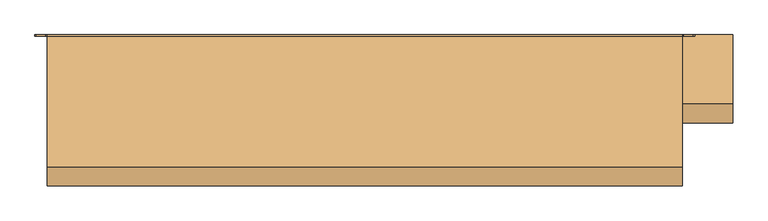
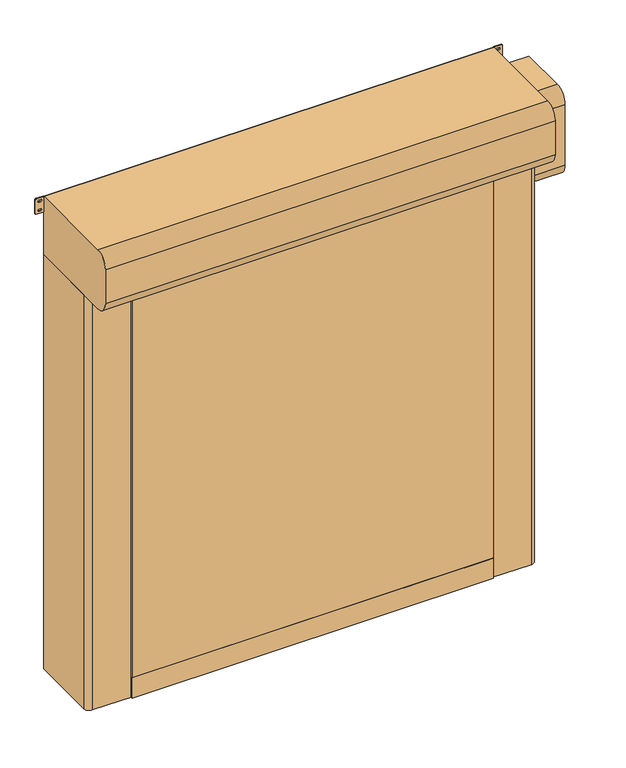
"""IFC4 building model written with IfcOpenShell, lengths in millimetres: door geometry."""

from ifc_helpers import new_model, si_unit, point, frame, frame_2d, origin, origin_with_axes, place, context, project, spatial, polyline, circle_curve, trimmed, segment, composite_curve, outline, extrude, source, transform, mapped, element, save


def door_82254b21(model_context):
    return source(origin(), model_context, "Body", "SweptSolid", [
        extrude(outline(polyline([(-1012.0, -421.5), (1012.0, -421.5), (1012.0, -428.5), (-1012.0, -428.5), (-1012.0, -421.5)])), frame((0.0, 0.0, 120.0), z_axis=(0.0, 0.0, 1.0), x_axis=(1.0, 0.0, 0.0)), (0.0, 0.0, 1.0), 2505.0),
        extrude(outline(polyline([(-1012.0, -419.5), (1012.0, -419.5), (1012.0, -430.5), (-1012.0, -430.5), (-1012.0, -419.5)])), origin_with_axes(), (0.0, 0.0, 1.0), 120.0),
        extrude(outline(composite_curve([segment(trimmed(circle_curve(frame_2d((1583.3333333, 1171.0)), 6.0), [point((1589.3333333, 1171.0))], [point((1577.3333333, 1171.0))], False, "CARTESIAN"), True, "CONTINUOUS"), segment(polyline([(1577.3333333, 1171.0), (1577.3333333, 1189.0)]), True, "CONTINUOUS"), segment(trimmed(circle_curve(frame_2d((1583.3333333, 1189.0)), 6.0), [point((1577.3333333, 1189.0))], [point((1589.3333333, 1189.0))], False, "CARTESIAN"), True, "CONTINUOUS"), segment(polyline([(1589.3333333, 1189.0), (1589.3333333, 1171.0)]), True, "CONTINUOUS")], self_intersect=False)), frame((0.0, -20.0, 0.0), z_axis=(0.0, 1.0, 0.0), x_axis=(0.0, 0.0, 1.0)), (0.0, 0.0, 1.0), 20.0),
        extrude(outline(composite_curve([segment(trimmed(circle_curve(frame_2d((866.6666667, 1171.0)), 6.0), [point((872.6666667, 1171.0))], [point((860.6666667, 1171.0))], False, "CARTESIAN"), True, "CONTINUOUS"), segment(polyline([(860.6666667, 1171.0), (860.6666667, 1189.0)]), True, "CONTINUOUS"), segment(trimmed(circle_curve(frame_2d((866.6666667, 1189.0)), 6.0), [point((860.6666667, 1189.0))], [point((872.6666667, 1189.0))], False, "CARTESIAN"), True, "CONTINUOUS"), segment(polyline([(872.6666667, 1189.0), (872.6666667, 1171.0)]), True, "CONTINUOUS")], self_intersect=False)), frame((0.0, -20.0, 0.0), z_axis=(0.0, 1.0, 0.0), x_axis=(0.0, 0.0, 1.0)), (0.0, 0.0, 1.0), 20.0),
        extrude(outline(composite_curve([segment(trimmed(circle_curve(frame_2d((2300.0, 1171.0)), 6.0), [point((2306.0, 1171.0))], [point((2294.0, 1171.0))], False, "CARTESIAN"), True, "CONTINUOUS"), segment(polyline([(2294.0, 1171.0), (2294.0, 1189.0)]), True, "CONTINUOUS"), segment(trimmed(circle_curve(frame_2d((2300.0, 1189.0)), 6.0), [point((2294.0, 1189.0))], [point((2306.0, 1189.0))], False, "CARTESIAN"), True, "CONTINUOUS"), segment(polyline([(2306.0, 1189.0), (2306.0, 1171.0)]), True, "CONTINUOUS")], self_intersect=False)), frame((0.0, -20.0, 0.0), z_axis=(0.0, 1.0, 0.0), x_axis=(0.0, 0.0, 1.0)), (0.0, 0.0, 1.0), 20.0),
        extrude(outline(composite_curve([segment(trimmed(circle_curve(frame_2d((150.0, 1171.0)), 6.0), [point((156.0, 1171.0))], [point((144.0, 1171.0))], False, "CARTESIAN"), True, "CONTINUOUS"), segment(polyline([(144.0, 1171.0), (144.0, 1189.0)]), True, "CONTINUOUS"), segment(trimmed(circle_curve(frame_2d((150.0, 1189.0)), 6.0), [point((144.0, 1189.0))], [point((156.0, 1189.0))], False, "CARTESIAN"), True, "CONTINUOUS"), segment(polyline([(156.0, 1189.0), (156.0, 1171.0)]), True, "CONTINUOUS")], self_intersect=False)), frame((0.0, -20.0, 0.0), z_axis=(0.0, 1.0, 0.0), x_axis=(0.0, 0.0, 1.0)), (0.0, 0.0, 1.0), 20.0),
        extrude(outline(composite_curve([segment(polyline([(1589.3333333, -1171.0), (1589.3333333, -1189.0)]), True, "CONTINUOUS"), segment(trimmed(circle_curve(frame_2d((1583.3333333, -1189.0)), 6.0), [point((1589.3333333, -1189.0))], [point((1577.3333333, -1189.0))], False, "CARTESIAN"), True, "CONTINUOUS"), segment(polyline([(1577.3333333, -1189.0), (1577.3333333, -1171.0)]), True, "CONTINUOUS"), segment(trimmed(circle_curve(frame_2d((1583.3333333, -1171.0)), 6.0), [point((1577.3333333, -1171.0))], [point((1589.3333333, -1171.0))], False, "CARTESIAN"), True, "CONTINUOUS")], self_intersect=False)), frame((0.0, -20.0, 0.0), z_axis=(0.0, 1.0, 0.0), x_axis=(0.0, 0.0, 1.0)), (0.0, 0.0, 1.0), 20.0),
        extrude(outline(composite_curve([segment(polyline([(872.6666667, -1171.0), (872.6666667, -1189.0)]), True, "CONTINUOUS"), segment(trimmed(circle_curve(frame_2d((866.6666667, -1189.0)), 6.0), [point((872.6666667, -1189.0))], [point((860.6666667, -1189.0))], False, "CARTESIAN"), True, "CONTINUOUS"), segment(polyline([(860.6666667, -1189.0), (860.6666667, -1171.0)]), True, "CONTINUOUS"), segment(trimmed(circle_curve(frame_2d((866.6666667, -1171.0)), 6.0), [point((860.6666667, -1171.0))], [point((872.6666667, -1171.0))], False, "CARTESIAN"), True, "CONTINUOUS")], self_intersect=False)), frame((0.0, -20.0, 0.0), z_axis=(0.0, 1.0, 0.0), x_axis=(0.0, 0.0, 1.0)), (0.0, 0.0, 1.0), 20.0),
        extrude(outline(composite_curve([segment(polyline([(2306.0, -1171.0), (2306.0, -1189.0)]), True, "CONTINUOUS"), segment(trimmed(circle_curve(frame_2d((2300.0, -1189.0)), 6.0), [point((2306.0, -1189.0))], [point((2294.0, -1189.0))], False, "CARTESIAN"), True, "CONTINUOUS"), segment(polyline([(2294.0, -1189.0), (2294.0, -1171.0)]), True, "CONTINUOUS"), segment(trimmed(circle_curve(frame_2d((2300.0, -1171.0)), 6.0), [point((2294.0, -1171.0))], [point((2306.0, -1171.0))], False, "CARTESIAN"), True, "CONTINUOUS")], self_intersect=False)), frame((0.0, -20.0, 0.0), z_axis=(0.0, 1.0, 0.0), x_axis=(0.0, 0.0, 1.0)), (0.0, 0.0, 1.0), 20.0),
        extrude(outline(composite_curve([segment(polyline([(156.0, -1171.0), (156.0, -1189.0)]), True, "CONTINUOUS"), segment(trimmed(circle_curve(frame_2d((150.0, -1189.0)), 6.0), [point((156.0, -1189.0))], [point((144.0, -1189.0))], False, "CARTESIAN"), True, "CONTINUOUS"), segment(polyline([(144.0, -1189.0), (144.0, -1171.0)]), True, "CONTINUOUS"), segment(trimmed(circle_curve(frame_2d((150.0, -1171.0)), 6.0), [point((144.0, -1171.0))], [point((156.0, -1171.0))], False, "CARTESIAN"), True, "CONTINUOUS")], self_intersect=False)), frame((0.0, -20.0, 0.0), z_axis=(0.0, 1.0, 0.0), x_axis=(0.0, 0.0, 1.0)), (0.0, 0.0, 1.0), 20.0),
        extrude(outline(polyline([(-1012.0, -221.5), (1012.0, -221.5), (1012.0, -228.5), (-1012.0, -228.5), (-1012.0, -221.5)])), frame((0.0, 0.0, 120.0), z_axis=(0.0, 0.0, 1.0), x_axis=(1.0, 0.0, 0.0)), (0.0, 0.0, 1.0), 2505.0),
        extrude(outline(polyline([(-1012.0, -219.5), (1012.0, -219.5), (1012.0, -230.5), (-1012.0, -230.5), (-1012.0, -219.5)])), origin_with_axes(), (0.0, 0.0, 1.0), 120.0),
        extrude(outline(composite_curve([segment(polyline([(-1260.0, 0.0), (-1015.0, 0.0), (-1015.0, -209.2857143), (-1035.0, -215.0), (-1000.0, -215.0), (-1000.0, -221.5), (-1020.0, -221.5), (-1020.0, -228.5), (-1000.0, -228.5), (-1000.0, -235.0), (-1035.0, -235.0), (-1035.0, -250.0), (-1005.0, -250.0), (-1005.0, -420.0), (-1230.0, -420.0)]), True, "CONTINUOUS"), segment(trimmed(circle_curve(frame_2d((-1230.0, -390.0)), 30.0), [point((-1230.0, -420.0))], [point((-1260.0, -390.0))], False, "CARTESIAN"), True, "CONTINUOUS"), segment(polyline([(-1260.0, -390.0), (-1260.0, 0.0)]), True, "CONTINUOUS")], self_intersect=False)), origin_with_axes(), (0.0, 0.0, 1.0), 2450.0),
        extrude(outline(composite_curve([segment(polyline([(1260.0, 0.0), (1260.0, -390.0)]), True, "CONTINUOUS"), segment(trimmed(circle_curve(frame_2d((1230.0, -390.0)), 30.0), [point((1260.0, -390.0))], [point((1230.0, -420.0))], False, "CARTESIAN"), True, "CONTINUOUS"), segment(polyline([(1230.0, -420.0), (1005.0, -420.0), (1005.0, -250.0), (1035.0, -250.0), (1035.0, -235.0), (1000.0, -235.0), (1000.0, -228.5), (1020.0, -228.5), (1020.0, -221.5), (1000.0, -221.5), (1000.0, -215.0), (1035.0, -215.0), (1015.0, -209.2857143), (1015.0, 0.0), (1260.0, 0.0)]), True, "CONTINUOUS")], self_intersect=False)), origin_with_axes(), (0.0, 0.0, 1.0), 2450.0),
        extrude(outline(composite_curve([segment(trimmed(circle_curve(frame_2d((-5.0, 2455.0)), 5.0), [point((0.0, 2455.0))], [point((-5.0, 2450.0))], False, "CARTESIAN"), True, "CONTINUOUS"), segment(polyline([(-5.0, 2450.0), (-525.0, 2450.0)]), True, "CONTINUOUS"), segment(trimmed(circle_curve(frame_2d((-525.0, 2525.0)), 75.0), [point((-525.0, 2450.0))], [point((-600.0, 2525.0))], False, "CARTESIAN"), True, "CONTINUOUS"), segment(polyline([(-600.0, 2525.0), (-600.0, 2725.0)]), True, "CONTINUOUS"), segment(trimmed(circle_curve(frame_2d((-525.0, 2725.0)), 75.0), [point((-600.0, 2725.0))], [point((-525.0, 2800.0))], False, "CARTESIAN"), True, "CONTINUOUS"), segment(polyline([(-525.0, 2800.0), (-5.0, 2800.0)]), True, "CONTINUOUS"), segment(trimmed(circle_curve(frame_2d((-5.0, 2795.0)), 5.0), [point((-5.0, 2800.0))], [point((0.0, 2795.0))], False, "CARTESIAN"), True, "CONTINUOUS"), segment(polyline([(0.0, 2795.0), (0.0, 2455.0)]), True, "CONTINUOUS")], self_intersect=False)), frame((-1260.0, 0.0, 0.0), z_axis=(1.0, 0.0, 0.0), x_axis=(0.0, 1.0, 0.0)), (0.0, 0.0, 1.0), 2520.0),
        extrude(outline(composite_curve([segment(trimmed(circle_curve(frame_2d((2713.75, 1265.75)), 5.75), [point((2713.75, 1260.0))], [point((2708.0, 1265.75))], False, "CARTESIAN"), True, "CONTINUOUS"), segment(polyline([(2708.0, 1265.75), (2708.0, 1303.25)]), True, "CONTINUOUS"), segment(trimmed(circle_curve(frame_2d((2713.75, 1303.25)), 5.75), [point((2708.0, 1303.25))], [point((2713.75, 1309.0))], False, "CARTESIAN"), True, "CONTINUOUS"), segment(polyline([(2713.75, 1309.0), (2794.25, 1309.0)]), True, "CONTINUOUS"), segment(trimmed(circle_curve(frame_2d((2794.25, 1303.25)), 5.75), [point((2794.25, 1309.0))], [point((2800.0, 1303.25))], False, "CARTESIAN"), True, "CONTINUOUS"), segment(polyline([(2800.0, 1303.25), (2800.0, 1265.75)]), True, "CONTINUOUS"), segment(trimmed(circle_curve(frame_2d((2794.25, 1265.75)), 5.75), [point((2800.0, 1265.75))], [point((2794.25, 1260.0))], False, "CARTESIAN"), True, "CONTINUOUS"), segment(polyline([(2794.25, 1260.0), (2713.75, 1260.0)]), True, "CONTINUOUS")], self_intersect=False), holes=[composite_curve([segment(trimmed(circle_curve(frame_2d((2781.5, 1288.75)), 5.75), [point((2787.25, 1288.75))], [point((2775.75, 1288.75))], True, "CARTESIAN"), True, "CONTINUOUS"), segment(polyline([(2775.75, 1288.75), (2775.75, 1280.25)]), True, "CONTINUOUS"), segment(trimmed(circle_curve(frame_2d((2781.5, 1280.25)), 5.75), [point((2775.75, 1280.25))], [point((2787.25, 1280.25))], True, "CARTESIAN"), True, "CONTINUOUS"), segment(polyline([(2787.25, 1280.25), (2787.25, 1288.75)]), True, "CONTINUOUS")], self_intersect=False), composite_curve([segment(trimmed(circle_curve(frame_2d((2726.5, 1288.75)), 5.75), [point((2732.25, 1288.75))], [point((2720.75, 1288.75))], True, "CARTESIAN"), True, "CONTINUOUS"), segment(polyline([(2720.75, 1288.75), (2720.75, 1280.25)]), True, "CONTINUOUS"), segment(trimmed(circle_curve(frame_2d((2726.5, 1280.25)), 5.75), [point((2720.75, 1280.25))], [point((2732.25, 1280.25))], True, "CARTESIAN"), True, "CONTINUOUS"), segment(polyline([(2732.25, 1280.25), (2732.25, 1288.75)]), True, "CONTINUOUS")], self_intersect=False)]), frame((0.0, -5.0, 0.0), z_axis=(0.0, 1.0, 0.0), x_axis=(0.0, 0.0, 1.0)), (0.0, 0.0, 1.0), 5.0),
        extrude(outline(composite_curve([segment(trimmed(circle_curve(frame_2d((2713.75, -1303.25)), 5.75), [point((2713.75, -1309.0))], [point((2708.0, -1303.25))], False, "CARTESIAN"), True, "CONTINUOUS"), segment(polyline([(2708.0, -1303.25), (2708.0, -1265.75)]), True, "CONTINUOUS"), segment(trimmed(circle_curve(frame_2d((2713.75, -1265.75)), 5.75), [point((2708.0, -1265.75))], [point((2713.75, -1260.0))], False, "CARTESIAN"), True, "CONTINUOUS"), segment(polyline([(2713.75, -1260.0), (2794.25, -1260.0)]), True, "CONTINUOUS"), segment(trimmed(circle_curve(frame_2d((2794.25, -1265.75)), 5.75), [point((2794.25, -1260.0))], [point((2800.0, -1265.75))], False, "CARTESIAN"), True, "CONTINUOUS"), segment(polyline([(2800.0, -1265.75), (2800.0, -1303.25)]), True, "CONTINUOUS"), segment(trimmed(circle_curve(frame_2d((2794.25, -1303.25)), 5.75), [point((2800.0, -1303.25))], [point((2794.25, -1309.0))], False, "CARTESIAN"), True, "CONTINUOUS"), segment(polyline([(2794.25, -1309.0), (2713.75, -1309.0)]), True, "CONTINUOUS")], self_intersect=False), holes=[composite_curve([segment(trimmed(circle_curve(frame_2d((2781.5, -1280.25)), 5.75), [point((2787.25, -1280.25))], [point((2775.75, -1280.25))], True, "CARTESIAN"), True, "CONTINUOUS"), segment(polyline([(2775.75, -1280.25), (2775.75, -1288.75)]), True, "CONTINUOUS"), segment(trimmed(circle_curve(frame_2d((2781.5, -1288.75)), 5.75), [point((2775.75, -1288.75))], [point((2787.25, -1288.75))], True, "CARTESIAN"), True, "CONTINUOUS"), segment(polyline([(2787.25, -1288.75), (2787.25, -1280.25)]), True, "CONTINUOUS")], self_intersect=False), composite_curve([segment(trimmed(circle_curve(frame_2d((2726.5, -1280.25)), 5.75), [point((2732.25, -1280.25))], [point((2720.75, -1280.25))], True, "CARTESIAN"), True, "CONTINUOUS"), segment(polyline([(2720.75, -1280.25), (2720.75, -1288.75)]), True, "CONTINUOUS"), segment(trimmed(circle_curve(frame_2d((2726.5, -1288.75)), 5.75), [point((2720.75, -1288.75))], [point((2732.25, -1288.75))], True, "CARTESIAN"), True, "CONTINUOUS"), segment(polyline([(2732.25, -1288.75), (2732.25, -1280.25)]), True, "CONTINUOUS")], self_intersect=False)]), frame((0.0, -5.0, 0.0), z_axis=(0.0, 1.0, 0.0), x_axis=(0.0, 0.0, 1.0)), (0.0, 0.0, 1.0), 5.0),
        extrude(outline(composite_curve([segment(polyline([(0.0, 2675.0), (0.0, 2165.0), (-275.0, 2165.0)]), True, "CONTINUOUS"), segment(trimmed(circle_curve(frame_2d((-275.0, 2240.0)), 75.0), [point((-275.0, 2165.0))], [point((-350.0, 2240.0))], False, "CARTESIAN"), True, "CONTINUOUS"), segment(polyline([(-350.0, 2240.0), (-350.0, 2600.0)]), True, "CONTINUOUS"), segment(trimmed(circle_curve(frame_2d((-275.0, 2600.0)), 75.0), [point((-350.0, 2600.0))], [point((-275.0, 2675.0))], False, "CARTESIAN"), True, "CONTINUOUS"), segment(polyline([(-275.0, 2675.0), (0.0, 2675.0)]), True, "CONTINUOUS")], self_intersect=False)), frame((1260.0, 0.0, 0.0), z_axis=(1.0, 0.0, 0.0), x_axis=(0.0, 1.0, 0.0)), (0.0, 0.0, 1.0), 200.0),
    ])


if __name__ == "__main__":
    model = new_model("IFC4")
    model_context = context("Model", 3, world=origin())
    ifc_project = project(units=[si_unit("LENGTHUNIT", "METRE", prefix="MILLI")], contexts=[model_context])
    site = spatial("IfcSite", under=ifc_project)
    building = spatial("IfcBuilding", under=site)
    placement = place(None, origin())
    door_shape = door_82254b21(model_context)
    element("IfcDoor", 1, at=placement, inside=building, context=model_context, shape_type="MappedRepresentation", body=[
        mapped(door_shape, transform((0.0, 0.0, 0.0), x_axis=(1.0, 0.0, 0.0), y_axis=(0.0, 1.0, 0.0), z_axis=(0.0, 0.0, 1.0))),
    ])
    save(model, "model.ifc")
